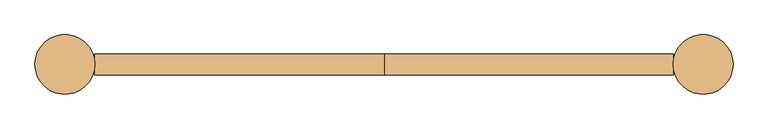
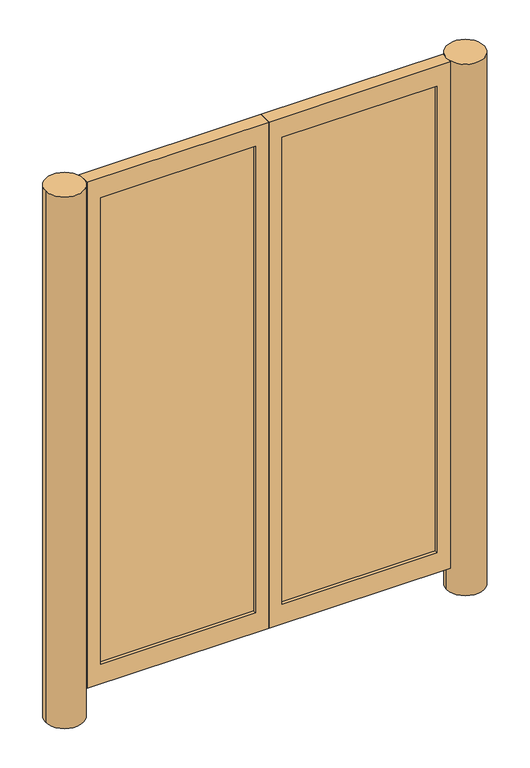
"""IFC4 building model written with IfcOpenShell, lengths in millimetres: door geometry."""

from ifc_helpers import new_model, si_unit, point, frame, frame_2d, origin, origin_with_axes, place, context, project, spatial, polyline, circle_curve, trimmed, segment, composite_curve, outline, extrude, source, transform, mapped, element, save


def door_e847621b(model_context):
    return source(origin(), model_context, "Body", "SweptSolid", [
        extrude(outline(composite_curve([segment(trimmed(circle_curve(frame_2d((-762.0, 0.0)), 71.4375), [point((-833.4375, 0.0))], [point((-690.5625, 0.0))], False, "CARTESIAN"), True, "CONTINUOUS"), segment(trimmed(circle_curve(frame_2d((-762.0, 0.0)), 71.4375), [point((-690.5625, 0.0))], [point((-833.4375, 0.0))], False, "CARTESIAN"), True, "CONTINUOUS")], self_intersect=False)), origin_with_axes(), (0.0, 0.0, 1.0), 2133.6),
        extrude(outline(composite_curve([segment(trimmed(circle_curve(frame_2d((762.0, 0.0)), 71.4375), [point((690.5625, 0.0))], [point((833.4375, 0.0))], False, "CARTESIAN"), True, "CONTINUOUS"), segment(trimmed(circle_curve(frame_2d((762.0, 0.0)), 71.4375), [point((833.4375, 0.0))], [point((690.5625, 0.0))], False, "CARTESIAN"), True, "CONTINUOUS")], self_intersect=False)), origin_with_axes(), (0.0, 0.0, 1.0), 2133.6),
        extrude(outline(polyline([(-50.8, -12.7), (-639.7625, -12.7), (-639.7625, 12.7), (-50.8, 12.7), (-50.8, -12.7)])), frame((0.0, 0.0, 180.975), z_axis=(0.0, 0.0, 1.0), x_axis=(1.0, 0.0, 0.0)), (0.0, 0.0, 1.0), 1873.25),
        extrude(outline(polyline([(639.7625, -12.7), (50.8, -12.7), (50.8, 12.7), (639.7625, 12.7), (639.7625, -12.7)])), frame((0.0, 0.0, 180.975), z_axis=(0.0, 0.0, 1.0), x_axis=(1.0, 0.0, 0.0)), (0.0, 0.0, 1.0), 1873.25),
        extrude(outline(polyline([(2133.6, -690.5625), (101.6, -690.5625), (101.6, 0.0), (2133.6, 0.0), (2133.6, -690.5625)]), holes=[polyline([(2054.225, -639.7625), (2054.225, -50.8), (180.975, -50.8), (180.975, -639.7625), (2054.225, -639.7625)])]), frame((0.0, -25.4, 0.0), z_axis=(0.0, 1.0, 0.0), x_axis=(0.0, 0.0, 1.0)), (0.0, 0.0, 1.0), 50.8),
        extrude(outline(polyline([(2133.6, 0.0), (101.6, 0.0), (101.6, 690.5625), (2133.6, 690.5625), (2133.6, 0.0)]), holes=[polyline([(2054.225, 50.8), (2054.225, 639.7625), (180.975, 639.7625), (180.975, 50.8), (2054.225, 50.8)])]), frame((0.0, -25.4, 0.0), z_axis=(0.0, 1.0, 0.0), x_axis=(0.0, 0.0, 1.0)), (0.0, 0.0, 1.0), 50.8),
    ])


if __name__ == "__main__":
    model = new_model("IFC4")
    model_context = context("Model", 3, world=origin())
    ifc_project = project(units=[si_unit("LENGTHUNIT", "METRE", prefix="MILLI")], contexts=[model_context])
    site = spatial("IfcSite", under=ifc_project)
    building = spatial("IfcBuilding", under=site)
    placement = place(None, origin())
    door_shape = door_e847621b(model_context)
    element("IfcDoor", 1, at=placement, inside=building, context=model_context, shape_type="MappedRepresentation", body=[
        mapped(door_shape, transform((0.0, 0.0, 0.0), x_axis=(1.0, 0.0, 0.0), y_axis=(0.0, 1.0, 0.0), z_axis=(0.0, 0.0, 1.0))),
    ])
    save(model, "model.ifc")
